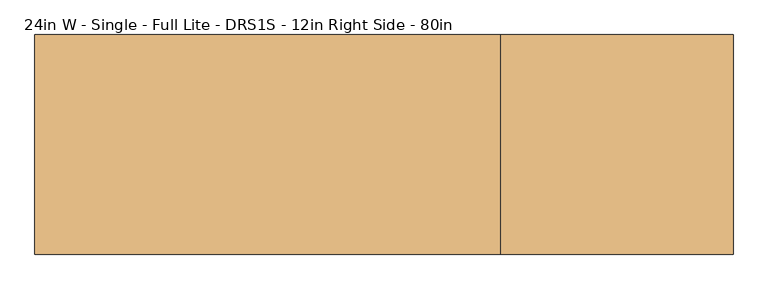
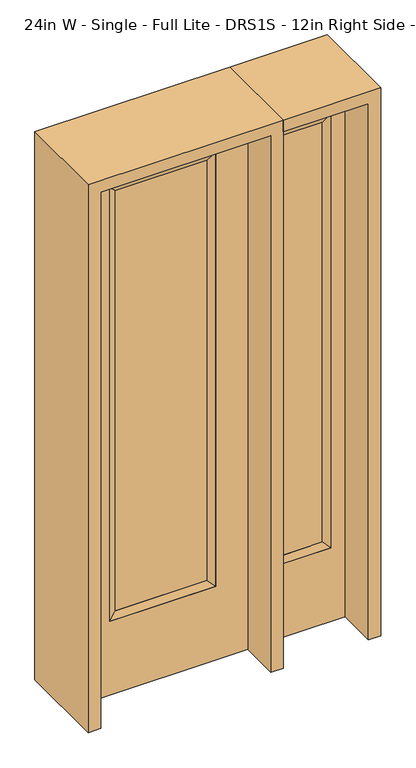
"""IFC4 building model written with IfcOpenShell, lengths in millimetres: door geometry, 24in W - Single - Full Lite - DRS1S - 12in Right Side - 80in."""

from ifc_helpers import new_model, si_unit, frame, origin, place, context, project, spatial, polyline, outline, extrude, faceted_brep, source, transform, mapped, element, save


def door_24in_w_single_full_lite_drs1s_12in_right_side_80in_f611c837(model_context):
    return source(origin(), model_context, "Body", "SolidModel", [
        extrude(outline(polyline([(163.9824, -12.7039749), (-163.9824, -12.7039749), (-163.9824, 14.2875), (163.9824, 14.2875), (163.9824, -12.7039749)])), frame((0.0, 0.0, 304.8), z_axis=(0.0, 0.0, 1.0), x_axis=(1.0, 0.0, 0.0)), (0.0, 0.0, 1.0), 1591.1576),
        faceted_brep([(163.9824, 14.2875, 1895.9576), (189.3824, 22.225, 1921.3576), (189.3824, 22.225, 279.4), (163.9824, 14.2875, 304.8), (189.3824, -22.225, 1921.3576), (189.3824, -22.225, 279.4), (-189.3824, 22.225, 279.4), (-163.9824, 14.2875, 304.8), (163.9824, -12.7039749, 1895.9576), (163.9824, -12.7039749, 304.8), (-163.9824, -12.7039749, 304.8), (-189.3824, -22.225, 279.4), (-189.3824, 22.225, 1921.3576), (-163.9824, 14.2875, 1895.9576), (-163.9824, -12.7039749, 1895.9576), (-189.3824, -22.225, 1921.3576)], [[[0, 1, 2, 3]], [[1, 4, 5, 2]], [[3, 2, 6, 7]], [[8, 0, 3, 9]], [[9, 3, 7, 10]], [[4, 8, 9, 5]], [[5, 9, 10, 11]], [[2, 5, 11, 6]], [[7, 6, 12, 13]], [[10, 7, 13, 14]], [[11, 10, 14, 15]], [[6, 11, 15, 12]], [[13, 12, 1, 0]], [[14, 13, 0, 8]], [[15, 14, 8, 4]], [[12, 15, 4, 1]]]),
        extrude(outline(polyline([(0.0, -304.8), (0.0, 304.8), (2032.0, 304.8), (2032.0, -304.8), (0.0, -304.8)]), holes=[polyline([(279.4, -189.3824), (1921.3576, -189.3824), (1921.3576, 189.3824), (279.4, 189.3824), (279.4, -189.3824)])]), frame((0.0, -22.225, 0.0), z_axis=(0.0, 1.0, 0.0), x_axis=(0.0, 0.0, 1.0)), (0.0, 0.0, 1.0), 44.45),
        faceted_brep([(400.05, 20.6375, 1920.875), (400.05, 20.6375, 279.4), (400.05, -20.6375, 279.4), (400.05, -20.6375, 1920.875), (425.45, -12.7, 304.8), (425.45, -12.7, 1895.475), (603.25, 20.6375, 279.4), (603.25, -20.6375, 279.4), (425.45, 12.7, 1895.475), (425.45, 12.7, 304.8), (577.85, 12.7, 304.8), (577.85, -12.7, 304.8), (603.25, 20.6375, 1920.875), (603.25, -20.6375, 1920.875), (577.85, 12.7, 1895.475), (577.85, -12.7, 1895.475)], [[[0, 1, 2, 3]], [[3, 2, 4, 5]], [[1, 6, 7, 2]], [[8, 9, 1, 0]], [[9, 10, 6, 1]], [[5, 4, 9, 8]], [[4, 11, 10, 9]], [[2, 7, 11, 4]], [[6, 12, 13, 7]], [[10, 14, 12, 6]], [[11, 15, 14, 10]], [[7, 13, 15, 11]], [[12, 0, 3, 13]], [[14, 8, 0, 12]], [[15, 5, 8, 14]], [[13, 3, 5, 15]]]),
        extrude(outline(polyline([(0.0, 654.05), (2032.0, 654.05), (2032.0, 349.25), (0.0, 349.25), (0.0, 654.05)]), holes=[polyline([(1920.875, 400.05), (1920.875, 603.25), (279.4, 603.25), (279.4, 400.05), (1920.875, 400.05)])]), frame((0.0, -20.6375, 0.0), z_axis=(0.0, 1.0, 0.0), x_axis=(0.0, 0.0, 1.0)), (0.0, 0.0, 1.0), 41.275),
        extrude(outline(polyline([(425.45, -12.7), (425.45, 12.7), (577.85, 12.7), (577.85, -12.7), (425.45, -12.7)])), frame((0.0, 0.0, 304.8), z_axis=(0.0, 0.0, 1.0), x_axis=(1.0, 0.0, 0.0)), (0.0, 0.0, 1.0), 1590.675),
        extrude(outline(polyline([(2076.45, -349.25), (0.0, -349.25), (0.0, -304.8), (2032.0, -304.8), (2032.0, 304.8), (0.0, 304.8), (0.0, 349.25), (2076.45, 349.25), (2076.45, -349.25)])), frame((0.0, -165.1, 0.0), z_axis=(0.0, 1.0, 0.0), x_axis=(0.0, 0.0, 1.0)), (0.0, 0.0, 1.0), 330.2),
        extrude(outline(polyline([(0.0, 654.05), (0.0, 698.5), (2076.45, 698.5), (2076.45, 349.25), (2032.0, 349.25), (2032.0, 654.05), (0.0, 654.05)])), frame((0.0, -165.1, 0.0), z_axis=(0.0, 1.0, 0.0), x_axis=(0.0, 0.0, 1.0)), (0.0, 0.0, 1.0), 330.2),
    ])


if __name__ == "__main__":
    model = new_model("IFC4")
    model_context = context("Model", 3, world=origin())
    ifc_project = project(units=[si_unit("LENGTHUNIT", "METRE", prefix="MILLI")], contexts=[model_context])
    site = spatial("IfcSite", under=ifc_project)
    building = spatial("IfcBuilding", under=site)
    placement = place(None, origin())
    door_24in_w_single_full_lite_drs1s_12in_right_side_80in_shape = door_24in_w_single_full_lite_drs1s_12in_right_side_80in_f611c837(model_context)
    element("IfcDoor", 1, ObjectType="24in W - Single - Full Lite - DRS1S - 12in Right Side - 80in", at=placement, inside=building, context=model_context, shape_type="MappedRepresentation", body=[
        mapped(door_24in_w_single_full_lite_drs1s_12in_right_side_80in_shape, transform((0.0, 0.0, 0.0), x_axis=(1.0, 0.0, 0.0), y_axis=(0.0, 1.0, 0.0), z_axis=(0.0, 0.0, 1.0))),
    ])
    save(model, "model.ifc")
